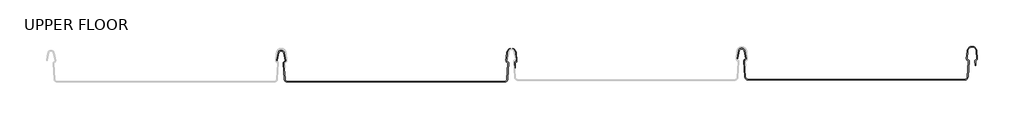
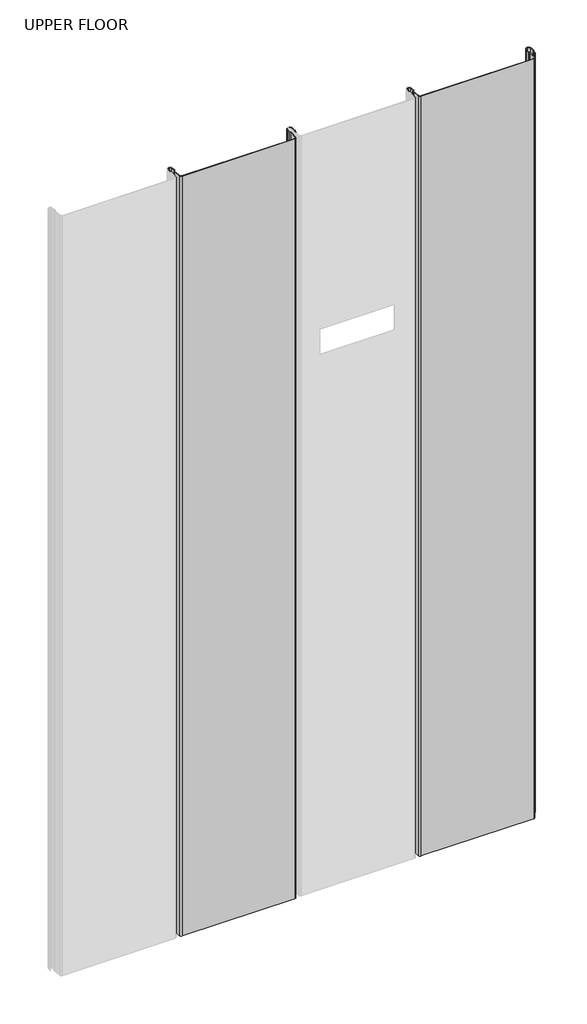
# One storey, part 2 of 2: 2 beams.
"""IFC4 building model written with IfcOpenShell, lengths in millimetres."""

from ifc_helpers import new_model, si_unit, frame, origin, place, context, project, spatial, polyline, circle_curve, element, save
from ifc_brep_helpers import plane_surface, cylinder_surface, revolved_surface, advanced_brep

model = new_model("IFC4")

# Units and contexts
model_context = context("Model", 3, world=origin())
ifc_project = project(units=[si_unit("LENGTHUNIT", "METRE", prefix="MILLI")], contexts=[model_context])

# Site, building, storey
site = spatial("IfcSite", under=ifc_project)
building = spatial("IfcBuilding", under=site)
storey = spatial("IfcBuildingStorey", under=building, Name="UPPER FLOOR", Elevation=2700.0)

# Beams
placement = place(None, origin())
element("IfcBeam", 1, at=placement, inside=storey, context=model_context, shape_type="AdvancedBrep", body=[
    advanced_brep(
    [(6334.6119936, 625.7201201, -1950.7143486), (6339.146019, 629.4956988, -1950.7143486), (6343.6528334, 625.856375, -1950.7143486), (6346.0998329, 614.497438, -1950.7143486), (6344.4411735, 612.0430386, -1950.7143486), (6343.2720087, 610.3319985, -1950.7143486), (6344.7625303, 586.9223075, -1950.7143486), (6348.456982, 583.4574151, -1950.7143486), (6668.7059348, 583.4574151, -1950.7143486), (6672.3987122, 586.9263408, -1950.7143486), (6673.8682154, 610.4103404, -1950.7143486), (6673.2402878, 611.3437584, -1950.7143486), (6671.0286499, 614.40955, -1950.7143486), (6671.9121887, 625.586053, -1950.7143486), (6679.1418406, 632.2667329, -1950.7143486), (6686.3714926, 625.586053, -1950.7143486), (6687.2550314, 614.40955, -1950.7143486), (6685.0433935, 611.3437584, -1950.7143486), (6684.4154659, 610.4103404, -1950.7143486), (6684.8071803, 604.1503868, -1950.7143486), (6683.8052244, 604.1503868, -1950.7143486), (6683.3978157, 610.66115, -1950.7143486), (6684.8032316, 612.3146121, -1950.7143486), (6686.2576522, 614.3307426, -1950.7143486), (6685.3679618, 625.5850624, -1950.7143486), (6679.1418406, 631.2667329, -1950.7143486), (6672.9089846, 625.5060562, -1950.7143486), (6672.0213859, 614.2508552, -1950.7143486), (6673.4804497, 612.3146121, -1950.7143486), (6674.8858656, 610.66115, -1950.7143486), (6673.3967601, 586.8638883, -1950.7143486), (6668.7059348, 582.4574151, -1950.7143486), (6348.4572271, 582.4574151, -1950.7143486), (6343.7645512, 586.858765, -1950.7143486), (6342.2738167, 610.2718001, -1950.7143486), (6344.1773975, 613.0084126, -1950.7143486), (6345.1140408, 614.3249628, -1950.7143486), (6342.6983557, 625.529296, -1950.7143486), (6339.13551, 628.4966846, -1950.7143486), (6335.6615158, 625.9009943, -1950.7143486), (6333.6342649, 614.7930037, -1950.7143486), (6332.634405, 614.9770585, -1950.7143486), (6686.2576522, 614.3307426, 329.2856514), (6685.3679618, 625.5850624, 329.2856514), (6684.8071803, 604.1503868, 329.2856514), (6683.8052244, 604.1503868, 329.2856514), (6333.6342649, 614.7930037, 329.2856514), (6332.634405, 614.9770585, 329.2856514), (6334.6119936, 625.7201201, 329.2856514), (6335.6615158, 625.9009943, 329.2856514), (6339.13551, 628.4966846, 329.2856514), (6342.6983557, 625.529296, 329.2856514), (6345.1140408, 614.3249628, 329.2856514), (6344.1773975, 613.0084126, 329.2856514), (6342.2738167, 610.2718001, 329.2856514), (6343.7645512, 586.858765, 329.2856514), (6348.4572271, 582.4574151, 329.2856514), (6668.7059348, 582.4574151, 329.2856514), (6673.3967601, 586.8638883, 329.2856514), (6674.8858656, 610.66115, 329.2856514), (6673.4804497, 612.3146121, 329.2856514), (6672.0213859, 614.2508552, 329.2856514), (6672.9089846, 625.5060562, 329.2856514), (6679.1418406, 631.2667329, 329.2856514), (6684.8032316, 612.3146121, 329.2856514), (6683.3978157, 610.66115, 329.2856514), (6684.4154659, 610.4103404, 329.2856514), (6685.0433935, 611.3437584, 329.2856514), (6687.2484427, 614.4928949, 329.2856514), (6686.3714926, 625.586053, 329.2856514), (6679.1418406, 632.2667329, 329.2856514), (6671.9121887, 625.586053, 329.2856514), (6671.0286499, 614.40955, 329.2856514), (6673.2402878, 611.3437584, 329.2856514), (6673.8682154, 610.4103404, 329.2856514), (6672.3987122, 586.9263408, 329.2856514), (6668.7059348, 583.4574151, 329.2856514), (6348.456982, 583.4574151, 329.2856514), (6344.7625303, 586.9223075, 329.2856514), (6343.2720087, 610.3319985, 329.2856514), (6344.4411735, 612.0430386, 329.2856514), (6346.0998329, 614.497438, 329.2856514), (6343.6528334, 625.856375, 329.2856514), (6339.146019, 629.4956988, 329.2856514)],
    [
        (0, 1, circle_curve(frame((6339.146019, 624.8854943, -1950.7143486), z_axis=(0.0, 0.0, -1.0), x_axis=(1.0000000000000002, 0.0, 0.0)), 4.6102046)),
        (1, 2, circle_curve(frame((6339.146019, 624.8854943, -1950.7143486), z_axis=(0.0, 0.0, -1.0), x_axis=(1.0000000000000002, 0.0, 0.0)), 4.6102046)),
        (2, 3),
        (3, 4, circle_curve(frame((6343.7156405, 614.3209995, -1950.7143486), z_axis=(0.0, 0.0, -1.0), x_axis=(1.0000000000000002, 0.0, 0.0)), 2.3907121)),
        (4, 5, circle_curve(frame((6344.9520712, 610.4389699, -1950.7143486), z_axis=(0.0, 0.0, 1.0), x_axis=(1.0000000000000002, 0.0, 0.0)), 1.6834645)),
        (5, 6),
        (6, 7, circle_curve(frame((6348.4550531, 587.1574146, -1950.7143486), z_axis=(0.0, 0.0, 1.0), x_axis=(1.0000000000000002, 0.0, 0.0)), 3.7)),
        (7, 8),
        (8, 9, circle_curve(frame((6668.7059348, 587.1574151, -1950.7143486), z_axis=(0.0, 0.0, 1.0), x_axis=(1.0000000000000002, 0.0, 0.0)), 3.7)),
        (9, 10),
        (10, 11, circle_curve(frame((6672.9462455, 610.4680324, -1950.7143486), z_axis=(0.0, 0.0, 1.0), x_axis=(1.0000000000000002, 0.0, 0.0)), 0.9237732)),
        (11, 12, circle_curve(frame((6673.9403101, 614.1793738, -1950.7143486), z_axis=(0.0, 0.0, -1.0), x_axis=(1.0000000000000002, 0.0, 0.0)), 2.9207441)),
        (12, 13),
        (13, 14, circle_curve(frame((6679.1418406, 625.0145256, -1950.7143486), z_axis=(0.0, 0.0, -1.0), x_axis=(1.0000000000000002, 0.0, 0.0)), 7.2522073)),
        (14, 15, circle_curve(frame((6679.1418406, 625.0145256, -1950.7143486), z_axis=(0.0, 0.0, -1.0), x_axis=(1.0000000000000002, 0.0, 0.0)), 7.2522073)),
        (15, 16),
        (16, 17, circle_curve(frame((6684.3419496, 614.181479, -1950.7143486), z_axis=(0.0, 0.0, -1.0), x_axis=(1.0000000000000002, 0.0, 0.0)), 2.9231288)),
        (17, 18, circle_curve(frame((6685.2443878, 610.5306274, -1950.7143486), z_axis=(0.0, 0.0, 1.0), x_axis=(1.0000000000000002, 0.0, 0.0)), 0.8376041)),
        (18, 19),
        (19, 20, circle_curve(frame((6684.3062024, 604.1503868, -1950.7143486), z_axis=(0.0, 0.0, -1.0), x_axis=(1.0000000000000002, 0.0, 0.0)), 0.5009779)),
        (20, 21),
        (21, 22, circle_curve(frame((6685.2481318, 610.5124328, -1950.7143486), z_axis=(0.0, 0.0, -1.0), x_axis=(1.0000000000000002, 0.0, 0.0)), 1.856283)),
        (22, 23, circle_curve(frame((6684.3428819, 614.1793738, -1950.7143486), z_axis=(0.0, 0.0, 1.0), x_axis=(1.0000000000000002, 0.0, 0.0)), 1.9207441)),
        (23, 24),
        (24, 25, circle_curve(frame((6679.2188901, 625.0989584, -1950.7143486), z_axis=(0.0, 0.0, 1.0), x_axis=(1.0000000000000002, 0.0, 0.0)), 6.1682558)),
        (25, 26, circle_curve(frame((6679.221015, 624.9288617, -1950.7143486), z_axis=(0.0, 0.0, 1.0), x_axis=(1.0000000000000002, 0.0, 0.0)), 6.3383658)),
        (26, 27),
        (27, 28, circle_curve(frame((6673.8448306, 614.1070561, -1950.7143486), z_axis=(0.0, 0.0, 1.0), x_axis=(1.0000000000000002, 0.0, 0.0)), 1.8291061)),
        (28, 29, circle_curve(frame((6673.1304954, 610.5931353, -1950.7143486), z_axis=(0.0, 0.0, -1.0), x_axis=(1.0000000000000002, 0.0, 0.0)), 1.7566874)),
        (29, 30),
        (30, 31, circle_curve(frame((6668.7059348, 587.1574151, -1950.7143486), z_axis=(0.0, 0.0, -1.0), x_axis=(1.0000000000000002, 0.0, 0.0)), 4.7)),
        (31, 32),
        (32, 33, circle_curve(frame((6348.4572271, 587.1597325, -1950.7143486), z_axis=(0.0, 0.0, -1.0), x_axis=(1.0000000000000002, 0.0, 0.0)), 4.7023174)),
        (33, 34),
        (34, 35, circle_curve(frame((6344.9479285, 610.4420639, -1950.7143486), z_axis=(0.0, 0.0, -1.0), x_axis=(1.0000000000000002, 0.0, 0.0)), 2.6795268)),
        (35, 36, circle_curve(frame((6344.0445547, 614.0943787, -1950.7143486), z_axis=(0.0, 0.0, 1.0), x_axis=(1.0000000000000002, 0.0, 0.0)), 1.094061)),
        (36, 37),
        (37, 38, circle_curve(frame((6339.13551, 624.8740945, -1950.7143486), z_axis=(0.0, 0.0, 1.0), x_axis=(1.0000000000000002, 0.0, 0.0)), 3.6225901)),
        (38, 39, circle_curve(frame((6339.13551, 624.8740945, -1950.7143486), z_axis=(0.0, 0.0, 1.0), x_axis=(1.0000000000000002, 0.0, 0.0)), 3.6225901)),
        (39, 40),
        (40, 41, circle_curve(frame((6333.134335, 614.8850311, -1950.7143486), z_axis=(0.0, 0.0, -1.0), x_axis=(1.0000000000000002, 0.0, 0.0)), 0.5083296)),
        (41, 0),
        (42, 43),
        (43, 24),
        (23, 42),
        (44, 45, circle_curve(frame((6684.3062024, 604.1503868, 329.2856514), z_axis=(0.0, 0.0, -1.0), x_axis=(1.0000000000000002, 0.0, 0.0)), 0.5009779)),
        (45, 20),
        (19, 44),
        (46, 47, circle_curve(frame((6333.134335, 614.8850311, 329.2856514), z_axis=(0.0, 0.0, -1.0), x_axis=(1.0000000000000002, 0.0, 0.0)), 0.5083296)),
        (47, 41),
        (40, 46),
        (48, 47),
        (46, 49),
        (49, 50, circle_curve(frame((6339.13551, 624.8740945, 329.2856514), z_axis=(0.0, 0.0, -1.0), x_axis=(1.0000000000000002, 0.0, 0.0)), 3.6225901)),
        (50, 51, circle_curve(frame((6339.13551, 624.8740945, 329.2856514), z_axis=(0.0, 0.0, -1.0), x_axis=(1.0000000000000002, 0.0, 0.0)), 3.6225901)),
        (51, 52),
        (52, 53, circle_curve(frame((6344.0445547, 614.0943787, 329.2856514), z_axis=(0.0, 0.0, -1.0), x_axis=(1.0000000000000002, 0.0, 0.0)), 1.094061)),
        (53, 54, circle_curve(frame((6344.9479285, 610.4420639, 329.2856514), z_axis=(0.0, 0.0, 1.0), x_axis=(1.0000000000000002, 0.0, 0.0)), 2.6795268)),
        (54, 55),
        (55, 56, circle_curve(frame((6348.4572271, 587.1597325, 329.2856514), z_axis=(0.0, 0.0, 1.0), x_axis=(1.0000000000000002, 0.0, 0.0)), 4.7023174)),
        (56, 57),
        (57, 58, circle_curve(frame((6668.7059348, 587.1574151, 329.2856514), z_axis=(0.0, 0.0, 1.0), x_axis=(1.0000000000000002, 0.0, 0.0)), 4.7)),
        (58, 59),
        (59, 60, circle_curve(frame((6673.1304954, 610.5931353, 329.2856514), z_axis=(0.0, 0.0, 1.0), x_axis=(1.0000000000000002, 0.0, 0.0)), 1.7566874)),
        (60, 61, circle_curve(frame((6673.8448306, 614.1070561, 329.2856514), z_axis=(0.0, 0.0, -1.0), x_axis=(1.0000000000000002, 0.0, 0.0)), 1.8291061)),
        (61, 62),
        (62, 63, circle_curve(frame((6679.221015, 624.9288617, 329.2856514), z_axis=(0.0, 0.0, -1.0), x_axis=(1.0000000000000002, 0.0, 0.0)), 6.3383658)),
        (63, 43, circle_curve(frame((6679.2188901, 625.0989584, 329.2856514), z_axis=(0.0, 0.0, -1.0), x_axis=(1.0000000000000002, 0.0, 0.0)), 6.1682558)),
        (42, 64, circle_curve(frame((6684.3428819, 614.1793738, 329.2856514), z_axis=(0.0, 0.0, -1.0), x_axis=(1.0000000000000002, 0.0, 0.0)), 1.9207441)),
        (64, 65, circle_curve(frame((6685.2481318, 610.5124328, 329.2856514), z_axis=(0.0, 0.0, 1.0), x_axis=(1.0000000000000002, 0.0, 0.0)), 1.856283)),
        (65, 45),
        (44, 66),
        (66, 67, circle_curve(frame((6685.2443878, 610.5306274, 329.2856514), z_axis=(0.0, 0.0, -1.0), x_axis=(1.0000000000000002, 0.0, 0.0)), 0.8376041)),
        (67, 68, circle_curve(frame((6684.3419496, 614.181479, 329.2856514), z_axis=(0.0, 0.0, 1.0), x_axis=(1.0000000000000002, 0.0, 0.0)), 2.9231288)),
        (68, 69),
        (69, 70, circle_curve(frame((6679.1418406, 625.0145256, 329.2856514), z_axis=(0.0, 0.0, 1.0), x_axis=(1.0000000000000002, 0.0, 0.0)), 7.2522073)),
        (70, 71, circle_curve(frame((6679.1418406, 625.0145256, 329.2856514), z_axis=(0.0, 0.0, 1.0), x_axis=(1.0000000000000002, 0.0, 0.0)), 7.2522073)),
        (71, 72),
        (72, 73, circle_curve(frame((6673.9403101, 614.1793738, 329.2856514), z_axis=(0.0, 0.0, 1.0), x_axis=(1.0000000000000002, 0.0, 0.0)), 2.9207441)),
        (73, 74, circle_curve(frame((6672.9462455, 610.4680324, 329.2856514), z_axis=(0.0, 0.0, -1.0), x_axis=(1.0000000000000002, 0.0, 0.0)), 0.9237732)),
        (74, 75),
        (75, 76, circle_curve(frame((6668.7059348, 587.1574151, 329.2856514), z_axis=(0.0, 0.0, -1.0), x_axis=(1.0000000000000002, 0.0, 0.0)), 3.7)),
        (76, 77),
        (77, 78, circle_curve(frame((6348.4550531, 587.1574146, 329.2856514), z_axis=(0.0, 0.0, -1.0), x_axis=(1.0000000000000002, 0.0, 0.0)), 3.7)),
        (78, 79),
        (79, 80, circle_curve(frame((6344.9520712, 610.4389699, 329.2856514), z_axis=(0.0, 0.0, -1.0), x_axis=(1.0000000000000002, 0.0, 0.0)), 1.6834645)),
        (80, 81, circle_curve(frame((6343.7156405, 614.3209995, 329.2856514), z_axis=(0.0, 0.0, 1.0), x_axis=(1.0000000000000002, 0.0, 0.0)), 2.3907121)),
        (81, 82),
        (82, 83, circle_curve(frame((6339.146019, 624.8854943, 329.2856514), z_axis=(0.0, 0.0, 1.0), x_axis=(1.0000000000000002, 0.0, 0.0)), 4.6102046)),
        (83, 48, circle_curve(frame((6339.146019, 624.8854943, 329.2856514), z_axis=(0.0, 0.0, 1.0), x_axis=(1.0000000000000002, 0.0, 0.0)), 4.6102046)),
        (48, 0),
        (39, 49),
        (38, 50),
        (37, 51),
        (36, 52),
        (35, 53),
        (34, 54),
        (33, 55),
        (32, 56),
        (31, 57),
        (30, 58),
        (29, 59),
        (28, 60),
        (27, 61),
        (26, 62),
        (25, 63),
        (22, 64),
        (21, 65),
        (18, 66),
        (17, 67),
        (16, 68),
        (15, 69),
        (14, 70),
        (13, 71),
        (12, 72),
        (11, 73),
        (10, 74),
        (9, 75),
        (8, 76),
        (7, 77),
        (6, 78),
        (5, 79),
        (4, 80),
        (3, 81),
        (2, 82),
        (1, 83),
    ],
    [
        plane_surface(frame((6332.634405, 614.9770585, -1950.7143486), z_axis=(0.0, 0.0, -1.0), x_axis=(0.18103878268248982, 0.9834759575936985, 0.0))),
        plane_surface(frame((6685.3679618, 625.5850624, 329.2856514), z_axis=(-0.9968898625471325, -0.07880737243912733, 0.0), x_axis=(0.0, 0.0, -1.0))),
        cylinder_surface(frame((6684.3062024, 604.1503868, -1950.7143486), z_axis=(0.0, 0.0, 1.0000000000000002), x_axis=(1.0000000000000002, 0.0, 0.0)), 0.5009779),
        cylinder_surface(frame((6333.134335, 614.8850311, -1950.7143486), z_axis=(0.0, 0.0, 1.0000000000000002), x_axis=(1.0000000000000002, 0.0, 0.0)), 0.5083296),
        plane_surface(frame((6332.634405, 614.9770585, 329.2856514), z_axis=(0.0, 0.0, 1.0), x_axis=(-0.18103878268248982, -0.9834759575936985, 0.0))),
        plane_surface(frame((6334.6119936, 625.7201201, 329.2856514), z_axis=(-0.9834759575936985, 0.18103878268248982, 0.0), x_axis=(0.0, 0.0, -1.0))),
        plane_surface(frame((6333.6342649, 614.7930037, 329.2856514), z_axis=(0.9837509798367418, -0.17953832368118636, 0.0), x_axis=(0.0, 0.0, -1.0))),
        revolved_surface(polyline([(6342.7581001, 624.8740945, -1950.7143486), (6342.7581001, 624.8740945, 329.2856514000009)]), (6339.13551, 624.8740945, -1950.7143486), (0.0, 0.0, -1.0000000000000002)),
        plane_surface(frame((6342.6983557, 625.529296, 329.2856514), z_axis=(-0.9775378680635936, -0.2107598550523432, 0.0), x_axis=(0.0, 0.0, -1.0))),
        revolved_surface(polyline([(6345.1386157, 614.0943787, -1950.7143486), (6345.1386157, 614.0943787, 329.2856514000009)]), (6344.0445547, 614.0943787, -1950.7143486), (0.0, 0.0, -1.0000000000000002)),
        cylinder_surface(frame((6344.9479285, 610.4420639, -1950.7143486), z_axis=(0.0, 0.0, 1.0000000000000002), x_axis=(1.0000000000000002, 0.0, 0.0)), 2.6795268),
        plane_surface(frame((6342.2738167, 610.2718001, 329.2856514), z_axis=(-0.9979791357337672, -0.06354246328309314, 0.0), x_axis=(0.0, 0.0, -1.0))),
        cylinder_surface(frame((6348.4572271, 587.1597325, -1950.7143486), z_axis=(0.0, 0.0, 1.0000000000000002), x_axis=(1.0000000000000002, 0.0, 0.0)), 4.7023174),
        plane_surface(frame((6348.4572271, 582.4574151, 329.2856514), z_axis=(0.0, -1.0, 0.0), x_axis=(0.0, 0.0, -1.0))),
        cylinder_surface(frame((6668.7059348, 587.1574151, -1950.7143486), z_axis=(0.0, 0.0, 1.0000000000000002), x_axis=(1.0000000000000002, 0.0, 0.0)), 4.7),
        plane_surface(frame((6673.3967601, 586.8638883, 329.2856514), z_axis=(0.9980479368039749, -0.062452508687233885, 0.0), x_axis=(0.0, 0.0, -1.0))),
        cylinder_surface(frame((6673.1304954, 610.5931353, -1950.7143486), z_axis=(0.0, 0.0, 1.0000000000000002), x_axis=(1.0000000000000002, 0.0, 0.0)), 1.7566874),
        revolved_surface(polyline([(6675.6739367, 614.1070561, -1950.7143486), (6675.6739367, 614.1070561, 329.2856514000009)]), (6673.8448306, 614.1070561, -1950.7143486), (0.0, 0.0, -1.0000000000000002)),
        plane_surface(frame((6672.0213859, 614.2508552, 329.2856514), z_axis=(0.9969048840808035, -0.0786171234263882, 0.0), x_axis=(0.0, 0.0, -1.0))),
        revolved_surface(polyline([(6685.5593808, 624.9288617, -1950.7143486), (6685.5593808, 624.9288617, 329.2856514000009)]), (6679.221015, 624.9288617, -1950.7143486), (0.0, 0.0, -1.0000000000000002)),
        revolved_surface(polyline([(6685.3871459, 625.0989584, -1950.7143486), (6685.3871459, 625.0989584, 329.2856514000009)]), (6679.2188901, 625.0989584, -1950.7143486), (0.0, 0.0, -1.0000000000000002)),
        revolved_surface(polyline([(6686.263626, 614.1793738, -1950.7143486), (6686.263626, 614.1793738, 329.2856514000009)]), (6684.3428819, 614.1793738, -1950.7143486), (0.0, 0.0, -1.0000000000000002)),
        cylinder_surface(frame((6685.2481318, 610.5124328, -1950.7143486), z_axis=(0.0, 0.0, 1.0000000000000002), x_axis=(1.0000000000000002, 0.0, 0.0)), 1.856283),
        plane_surface(frame((6683.3978157, 610.66115, 329.2856514), z_axis=(-0.9980479368039776, -0.062452508687189226, 0.0), x_axis=(0.0, 0.0, -1.0))),
        plane_surface(frame((6684.8071803, 604.1503868, 329.2856514), z_axis=(0.9980479368039784, 0.06245250868717819, 0.0), x_axis=(0.0, 0.0, -1.0))),
        revolved_surface(polyline([(6686.0819919000005, 610.5306274, -1950.7143486), (6686.0819919000005, 610.5306274, 329.2856514000009)]), (6685.2443878, 610.5306274, -1950.7143486), (0.0, 0.0, -1.0000000000000002)),
        cylinder_surface(frame((6684.3419496, 614.181479, -1950.7143486), z_axis=(0.0, 0.0, 1.0000000000000002), x_axis=(1.0000000000000002, 0.0, 0.0)), 2.9231288),
        plane_surface(frame((6687.2550314, 614.40955, 329.2856514), z_axis=(0.996889862547133, 0.07880737243912096, 0.0), x_axis=(0.0, 0.0, -1.0))),
        cylinder_surface(frame((6679.1418406, 625.0145256, -1950.7143486), z_axis=(0.0, 0.0, 1.0000000000000002), x_axis=(1.0000000000000002, 0.0, 0.0)), 7.2522073),
        plane_surface(frame((6671.9121887, 625.586053, 329.2856514), z_axis=(-0.9968898625471305, 0.07880737243915292, 0.0), x_axis=(0.0, 0.0, -1.0))),
        cylinder_surface(frame((6673.9403101, 614.1793738, -1950.7143486), z_axis=(0.0, 0.0, 1.0000000000000002), x_axis=(1.0000000000000002, 0.0, 0.0)), 2.9207441),
        revolved_surface(polyline([(6673.8700187, 610.4680324, -1950.7143486), (6673.8700187, 610.4680324, 329.2856514000009)]), (6672.9462455, 610.4680324, -1950.7143486), (0.0, 0.0, -1.0000000000000002)),
        plane_surface(frame((6673.8682154, 610.4103404, 329.2856514), z_axis=(-0.9980479368039751, 0.062452508687230075, 0.0), x_axis=(0.0, 0.0, -1.0))),
        revolved_surface(polyline([(6672.4059348, 587.1574151, -1950.7143486), (6672.4059348, 587.1574151, 329.2856514000009)]), (6668.7059348, 587.1574151, -1950.7143486), (0.0, 0.0, -1.0000000000000002)),
        plane_surface(frame((6668.7059348, 583.4574151, 329.2856514), z_axis=(0.0, 1.0, 0.0), x_axis=(0.0, 0.0, -1.0))),
        revolved_surface(polyline([(6352.1550531, 587.1574146, -1950.7143486), (6352.1550531, 587.1574146, 329.2856514000009)]), (6348.4550531, 587.1574146, -1950.7143486), (0.0, 0.0, -1.0000000000000002)),
        plane_surface(frame((6344.7625303, 586.9223075, 329.2856514), z_axis=(0.9979791357337674, 0.06354246328309011, 0.0), x_axis=(0.0, 0.0, -1.0))),
        revolved_surface(polyline([(6346.6355357, 610.4389699, -1950.7143486), (6346.6355357, 610.4389699, 329.2856514000009)]), (6344.9520712, 610.4389699, -1950.7143486), (0.0, 0.0, -1.0000000000000002)),
        cylinder_surface(frame((6343.7156405, 614.3209995, -1950.7143486), z_axis=(0.0, 0.0, 1.0000000000000002), x_axis=(1.0000000000000002, 0.0, 0.0)), 2.3907121),
        plane_surface(frame((6346.0998329, 614.497438, 329.2856514), z_axis=(0.9775736456656274, 0.2105938444020015, 0.0), x_axis=(0.0, 0.0, -1.0))),
        cylinder_surface(frame((6339.146019, 624.8854943, -1950.7143486), z_axis=(0.0, 0.0, 1.0000000000000002), x_axis=(1.0000000000000002, 0.0, 0.0)), 4.6102046),
    ],
    [
        (0, [[1, 2, 3, 4, 5, 6, 7, 8, 9, 10, 11, 12, 13, 14, 15, 16, 17, 18, 19, 20, 21, 22, 23, 24, 25, 26, 27, 28, 29, 30, 31, 32, 33, 34, 35, 36, 37, 38, 39, 40, 41, 42]]),
        (1, [[43, 44, -24, 45]]),
        (2, [[46, 47, -20, 48]]),
        (3, [[49, 50, -41, 51]]),
        (4, [[52, -49, 53, 54, 55, 56, 57, 58, 59, 60, 61, 62, 63, 64, 65, 66, 67, 68, -43, 69, 70, 71, -46, 72, 73, 74, 75, 76, 77, 78, 79, 80, 81, 82, 83, 84, 85, 86, 87, 88, 89, 90]]),
        (5, [[-52, 91, -42, -50]]),
        (6, [[-53, -51, -40, 92]]),
        (7, [[-54, -92, -39, 93]]),
        (7, [[-55, -93, -38, 94]]),
        (8, [[-56, -94, -37, 95]]),
        (9, [[-57, -95, -36, 96]]),
        (10, [[-58, -96, -35, 97]]),
        (11, [[-59, -97, -34, 98]]),
        (12, [[-60, -98, -33, 99]]),
        (13, [[-61, -99, -32, 100]]),
        (14, [[-62, -100, -31, 101]]),
        (15, [[-63, -101, -30, 102]]),
        (16, [[-64, -102, -29, 103]]),
        (17, [[-65, -103, -28, 104]]),
        (18, [[-66, -104, -27, 105]]),
        (19, [[-67, -105, -26, 106]]),
        (20, [[-68, -106, -25, -44]]),
        (21, [[-69, -45, -23, 107]]),
        (22, [[-70, -107, -22, 108]]),
        (23, [[-71, -108, -21, -47]]),
        (24, [[-72, -48, -19, 109]]),
        (25, [[-73, -109, -18, 110]]),
        (26, [[-74, -110, -17, 111]]),
        (27, [[-75, -111, -16, 112]]),
        (28, [[-76, -112, -15, 113]]),
        (28, [[-77, -113, -14, 114]]),
        (29, [[-78, -114, -13, 115]]),
        (30, [[-79, -115, -12, 116]]),
        (31, [[-80, -116, -11, 117]]),
        (32, [[-81, -117, -10, 118]]),
        (33, [[-82, -118, -9, 119]]),
        (34, [[-83, -119, -8, 120]]),
        (35, [[-84, -120, -7, 121]]),
        (36, [[-85, -121, -6, 122]]),
        (37, [[-86, -122, -5, 123]]),
        (38, [[-87, -123, -4, 124]]),
        (39, [[-88, -124, -3, 125]]),
        (40, [[-89, -125, -2, 126]]),
        (40, [[-90, -126, -1, -91]]),
    ],
),
])
element("IfcBeam", 2, at=placement, inside=storey, context=model_context, shape_type="AdvancedBrep", body=[
    advanced_brep(
    [(7014.4243939, 628.8451201, -1950.7143486), (7018.9584192, 632.6206988, -1950.7143486), (7023.4652337, 628.981375, -1950.7143486), (7025.9122332, 617.622438, -1950.7143486), (7024.2535738, 615.1680386, -1950.7143486), (7023.084409, 613.4569985, -1950.7143486), (7024.5749306, 590.0473075, -1950.7143486), (7028.2693823, 586.5824151, -1950.7143486), (7348.5183351, 586.5824151, -1950.7143486), (7352.2111125, 590.0513408, -1950.7143486), (7353.6806157, 613.5353404, -1950.7143486), (7353.0526881, 614.4687584, -1950.7143486), (7350.8410502, 617.53455, -1950.7143486), (7351.724589, 628.711053, -1950.7143486), (7358.9542409, 635.3917329, -1950.7143486), (7366.1838929, 628.711053, -1950.7143486), (7367.0674317, 617.53455, -1950.7143486), (7364.8557938, 614.4687584, -1950.7143486), (7364.2278662, 613.5353404, -1950.7143486), (7364.6195806, 607.2753868, -1950.7143486), (7363.6176247, 607.2753868, -1950.7143486), (7363.2102159, 613.78615, -1950.7143486), (7364.6156319, 615.4396121, -1950.7143486), (7366.0700525, 617.4557426, -1950.7143486), (7365.1803621, 628.7100624, -1950.7143486), (7358.9542409, 634.3917329, -1950.7143486), (7352.7213849, 628.6310562, -1950.7143486), (7351.8337862, 617.3758552, -1950.7143486), (7353.29285, 615.4396121, -1950.7143486), (7354.6982659, 613.78615, -1950.7143486), (7353.2091604, 589.9888883, -1950.7143486), (7348.5183351, 585.5824151, -1950.7143486), (7028.2696274, 585.5824151, -1950.7143486), (7023.5769515, 589.983765, -1950.7143486), (7022.086217, 613.3968001, -1950.7143486), (7023.9897978, 616.1334126, -1950.7143486), (7024.9264411, 617.4499628, -1950.7143486), (7022.510756, 628.654296, -1950.7143486), (7018.9479103, 631.6216846, -1950.7143486), (7015.4739161, 629.0259943, -1950.7143486), (7013.4466652, 617.9180037, -1950.7143486), (7012.4468053, 618.1020585, -1950.7143486), (7366.0700525, 617.4557426, 329.2856514), (7365.1803621, 628.7100624, 329.2856514), (7364.6195806, 607.2753868, 329.2856514), (7363.6176247, 607.2753868, 329.2856514), (7013.4466652, 617.9180037, 329.2856514), (7012.4468053, 618.1020585, 329.2856514), (7014.4243939, 628.8451201, 329.2856514), (7015.4739161, 629.0259943, 329.2856514), (7018.9479103, 631.6216846, 329.2856514), (7022.510756, 628.654296, 329.2856514), (7024.9264411, 617.4499628, 329.2856514), (7023.9897978, 616.1334126, 329.2856514), (7022.086217, 613.3968001, 329.2856514), (7023.5769515, 589.983765, 329.2856514), (7028.2696274, 585.5824151, 329.2856514), (7348.5183351, 585.5824151, 329.2856514), (7353.2091604, 589.9888883, 329.2856514), (7354.6982659, 613.78615, 329.2856514), (7353.29285, 615.4396121, 329.2856514), (7351.8337862, 617.3758552, 329.2856514), (7352.7213849, 628.6310562, 329.2856514), (7358.9542409, 634.3917329, 329.2856514), (7364.6156319, 615.4396121, 329.2856514), (7363.2102159, 613.78615, 329.2856514), (7364.2278662, 613.5353404, 329.2856514), (7364.8557938, 614.4687584, 329.2856514), (7367.060843, 617.6178949, 329.2856514), (7366.1838929, 628.711053, 329.2856514), (7358.9542409, 635.3917329, 329.2856514), (7351.724589, 628.711053, 329.2856514), (7350.8410502, 617.53455, 329.2856514), (7353.0526881, 614.4687584, 329.2856514), (7353.6806157, 613.5353404, 329.2856514), (7352.2111125, 590.0513408, 329.2856514), (7348.5183351, 586.5824151, 329.2856514), (7028.2693823, 586.5824151, 329.2856514), (7024.5749306, 590.0473075, 329.2856514), (7023.084409, 613.4569985, 329.2856514), (7024.2535738, 615.1680386, 329.2856514), (7025.9122332, 617.622438, 329.2856514), (7023.4652337, 628.981375, 329.2856514), (7018.9584192, 632.6206988, 329.2856514)],
    [
        (0, 1, circle_curve(frame((7018.9584192, 628.0104943, -1950.7143486), z_axis=(0.0, 0.0, -1.0), x_axis=(1.0000000000000002, 0.0, 0.0)), 4.6102046)),
        (1, 2, circle_curve(frame((7018.9584192, 628.0104943, -1950.7143486), z_axis=(0.0, 0.0, -1.0), x_axis=(1.0000000000000002, 0.0, 0.0)), 4.6102046)),
        (2, 3),
        (3, 4, circle_curve(frame((7023.5280408, 617.4459995, -1950.7143486), z_axis=(0.0, 0.0, -1.0), x_axis=(1.0000000000000002, 0.0, 0.0)), 2.3907121)),
        (4, 5, circle_curve(frame((7024.7644715, 613.5639699, -1950.7143486), z_axis=(0.0, 0.0, 1.0), x_axis=(1.0000000000000002, 0.0, 0.0)), 1.6834645)),
        (5, 6),
        (6, 7, circle_curve(frame((7028.2674534, 590.2824146, -1950.7143486), z_axis=(0.0, 0.0, 1.0), x_axis=(1.0000000000000002, 0.0, 0.0)), 3.7)),
        (7, 8),
        (8, 9, circle_curve(frame((7348.5183351, 590.2824151, -1950.7143486), z_axis=(0.0, 0.0, 1.0), x_axis=(1.0000000000000002, 0.0, 0.0)), 3.7)),
        (9, 10),
        (10, 11, circle_curve(frame((7352.7586458, 613.5930324, -1950.7143486), z_axis=(0.0, 0.0, 1.0), x_axis=(1.0000000000000002, 0.0, 0.0)), 0.9237732)),
        (11, 12, circle_curve(frame((7353.7527104, 617.3043738, -1950.7143486), z_axis=(0.0, 0.0, -1.0), x_axis=(1.0000000000000002, 0.0, 0.0)), 2.9207441)),
        (12, 13),
        (13, 14, circle_curve(frame((7358.9542409, 628.1395256, -1950.7143486), z_axis=(0.0, 0.0, -1.0), x_axis=(1.0000000000000002, 0.0, 0.0)), 7.2522073)),
        (14, 15, circle_curve(frame((7358.9542409, 628.1395256, -1950.7143486), z_axis=(0.0, 0.0, -1.0), x_axis=(1.0000000000000002, 0.0, 0.0)), 7.2522073)),
        (15, 16),
        (16, 17, circle_curve(frame((7364.1543499, 617.306479, -1950.7143486), z_axis=(0.0, 0.0, -1.0), x_axis=(1.0000000000000002, 0.0, 0.0)), 2.9231288)),
        (17, 18, circle_curve(frame((7365.0567881, 613.6556274, -1950.7143486), z_axis=(0.0, 0.0, 1.0), x_axis=(1.0000000000000002, 0.0, 0.0)), 0.8376041)),
        (18, 19),
        (19, 20, circle_curve(frame((7364.1186027, 607.2753868, -1950.7143486), z_axis=(0.0, 0.0, -1.0), x_axis=(1.0000000000000002, 0.0, 0.0)), 0.5009779)),
        (20, 21),
        (21, 22, circle_curve(frame((7365.0605321, 613.6374328, -1950.7143486), z_axis=(0.0, 0.0, -1.0), x_axis=(1.0000000000000002, 0.0, 0.0)), 1.856283)),
        (22, 23, circle_curve(frame((7364.1552822, 617.3043738, -1950.7143486), z_axis=(0.0, 0.0, 1.0), x_axis=(1.0000000000000002, 0.0, 0.0)), 1.9207441)),
        (23, 24),
        (24, 25, circle_curve(frame((7359.0312904, 628.2239584, -1950.7143486), z_axis=(0.0, 0.0, 1.0), x_axis=(1.0000000000000002, 0.0, 0.0)), 6.1682558)),
        (25, 26, circle_curve(frame((7359.0334153, 628.0538617, -1950.7143486), z_axis=(0.0, 0.0, 1.0), x_axis=(1.0000000000000002, 0.0, 0.0)), 6.3383658)),
        (26, 27),
        (27, 28, circle_curve(frame((7353.6572309, 617.2320561, -1950.7143486), z_axis=(0.0, 0.0, 1.0), x_axis=(1.0000000000000002, 0.0, 0.0)), 1.8291061)),
        (28, 29, circle_curve(frame((7352.9428957, 613.7181353, -1950.7143486), z_axis=(0.0, 0.0, -1.0), x_axis=(1.0000000000000002, 0.0, 0.0)), 1.7566874)),
        (29, 30),
        (30, 31, circle_curve(frame((7348.5183351, 590.2824151, -1950.7143486), z_axis=(0.0, 0.0, -1.0), x_axis=(1.0000000000000002, 0.0, 0.0)), 4.7)),
        (31, 32),
        (32, 33, circle_curve(frame((7028.2696274, 590.2847325, -1950.7143486), z_axis=(0.0, 0.0, -1.0), x_axis=(1.0000000000000002, 0.0, 0.0)), 4.7023174)),
        (33, 34),
        (34, 35, circle_curve(frame((7024.7603288, 613.5670639, -1950.7143486), z_axis=(0.0, 0.0, -1.0), x_axis=(1.0000000000000002, 0.0, 0.0)), 2.6795268)),
        (35, 36, circle_curve(frame((7023.856955, 617.2193787, -1950.7143486), z_axis=(0.0, 0.0, 1.0), x_axis=(1.0000000000000002, 0.0, 0.0)), 1.094061)),
        (36, 37),
        (37, 38, circle_curve(frame((7018.9479103, 627.9990945, -1950.7143486), z_axis=(0.0, 0.0, 1.0), x_axis=(1.0000000000000002, 0.0, 0.0)), 3.6225901)),
        (38, 39, circle_curve(frame((7018.9479103, 627.9990945, -1950.7143486), z_axis=(0.0, 0.0, 1.0), x_axis=(1.0000000000000002, 0.0, 0.0)), 3.6225901)),
        (39, 40),
        (40, 41, circle_curve(frame((7012.9467353, 618.0100311, -1950.7143486), z_axis=(0.0, 0.0, -1.0), x_axis=(1.0000000000000002, 0.0, 0.0)), 0.5083296)),
        (41, 0),
        (42, 43),
        (43, 24),
        (23, 42),
        (44, 45, circle_curve(frame((7364.1186027, 607.2753868, 329.2856514), z_axis=(0.0, 0.0, -1.0), x_axis=(1.0000000000000002, 0.0, 0.0)), 0.5009779)),
        (45, 20),
        (19, 44),
        (46, 47, circle_curve(frame((7012.9467353, 618.0100311, 329.2856514), z_axis=(0.0, 0.0, -1.0), x_axis=(1.0000000000000002, 0.0, 0.0)), 0.5083296)),
        (47, 41),
        (40, 46),
        (48, 47),
        (46, 49),
        (49, 50, circle_curve(frame((7018.9479103, 627.9990945, 329.2856514), z_axis=(0.0, 0.0, -1.0), x_axis=(1.0000000000000002, 0.0, 0.0)), 3.6225901)),
        (50, 51, circle_curve(frame((7018.9479103, 627.9990945, 329.2856514), z_axis=(0.0, 0.0, -1.0), x_axis=(1.0000000000000002, 0.0, 0.0)), 3.6225901)),
        (51, 52),
        (52, 53, circle_curve(frame((7023.856955, 617.2193787, 329.2856514), z_axis=(0.0, 0.0, -1.0), x_axis=(1.0000000000000002, 0.0, 0.0)), 1.094061)),
        (53, 54, circle_curve(frame((7024.7603288, 613.5670639, 329.2856514), z_axis=(0.0, 0.0, 1.0), x_axis=(1.0000000000000002, 0.0, 0.0)), 2.6795268)),
        (54, 55),
        (55, 56, circle_curve(frame((7028.2696274, 590.2847325, 329.2856514), z_axis=(0.0, 0.0, 1.0), x_axis=(1.0000000000000002, 0.0, 0.0)), 4.7023174)),
        (56, 57),
        (57, 58, circle_curve(frame((7348.5183351, 590.2824151, 329.2856514), z_axis=(0.0, 0.0, 1.0), x_axis=(1.0000000000000002, 0.0, 0.0)), 4.7)),
        (58, 59),
        (59, 60, circle_curve(frame((7352.9428957, 613.7181353, 329.2856514), z_axis=(0.0, 0.0, 1.0), x_axis=(1.0000000000000002, 0.0, 0.0)), 1.7566874)),
        (60, 61, circle_curve(frame((7353.6572309, 617.2320561, 329.2856514), z_axis=(0.0, 0.0, -1.0), x_axis=(1.0000000000000002, 0.0, 0.0)), 1.8291061)),
        (61, 62),
        (62, 63, circle_curve(frame((7359.0334153, 628.0538617, 329.2856514), z_axis=(0.0, 0.0, -1.0), x_axis=(1.0000000000000002, 0.0, 0.0)), 6.3383658)),
        (63, 43, circle_curve(frame((7359.0312904, 628.2239584, 329.2856514), z_axis=(0.0, 0.0, -1.0), x_axis=(1.0000000000000002, 0.0, 0.0)), 6.1682558)),
        (42, 64, circle_curve(frame((7364.1552822, 617.3043738, 329.2856514), z_axis=(0.0, 0.0, -1.0), x_axis=(1.0000000000000002, 0.0, 0.0)), 1.9207441)),
        (64, 65, circle_curve(frame((7365.0605321, 613.6374328, 329.2856514), z_axis=(0.0, 0.0, 1.0), x_axis=(1.0000000000000002, 0.0, 0.0)), 1.856283)),
        (65, 45),
        (44, 66),
        (66, 67, circle_curve(frame((7365.0567881, 613.6556274, 329.2856514), z_axis=(0.0, 0.0, -1.0), x_axis=(1.0000000000000002, 0.0, 0.0)), 0.8376041)),
        (67, 68, circle_curve(frame((7364.1543499, 617.306479, 329.2856514), z_axis=(0.0, 0.0, 1.0), x_axis=(1.0000000000000002, 0.0, 0.0)), 2.9231288)),
        (68, 69),
        (69, 70, circle_curve(frame((7358.9542409, 628.1395256, 329.2856514), z_axis=(0.0, 0.0, 1.0), x_axis=(1.0000000000000002, 0.0, 0.0)), 7.2522073)),
        (70, 71, circle_curve(frame((7358.9542409, 628.1395256, 329.2856514), z_axis=(0.0, 0.0, 1.0), x_axis=(1.0000000000000002, 0.0, 0.0)), 7.2522073)),
        (71, 72),
        (72, 73, circle_curve(frame((7353.7527104, 617.3043738, 329.2856514), z_axis=(0.0, 0.0, 1.0), x_axis=(1.0000000000000002, 0.0, 0.0)), 2.9207441)),
        (73, 74, circle_curve(frame((7352.7586458, 613.5930324, 329.2856514), z_axis=(0.0, 0.0, -1.0), x_axis=(1.0000000000000002, 0.0, 0.0)), 0.9237732)),
        (74, 75),
        (75, 76, circle_curve(frame((7348.5183351, 590.2824151, 329.2856514), z_axis=(0.0, 0.0, -1.0), x_axis=(1.0000000000000002, 0.0, 0.0)), 3.7)),
        (76, 77),
        (77, 78, circle_curve(frame((7028.2674534, 590.2824146, 329.2856514), z_axis=(0.0, 0.0, -1.0), x_axis=(1.0000000000000002, 0.0, 0.0)), 3.7)),
        (78, 79),
        (79, 80, circle_curve(frame((7024.7644715, 613.5639699, 329.2856514), z_axis=(0.0, 0.0, -1.0), x_axis=(1.0000000000000002, 0.0, 0.0)), 1.6834645)),
        (80, 81, circle_curve(frame((7023.5280408, 617.4459995, 329.2856514), z_axis=(0.0, 0.0, 1.0), x_axis=(1.0000000000000002, 0.0, 0.0)), 2.3907121)),
        (81, 82),
        (82, 83, circle_curve(frame((7018.9584192, 628.0104943, 329.2856514), z_axis=(0.0, 0.0, 1.0), x_axis=(1.0000000000000002, 0.0, 0.0)), 4.6102046)),
        (83, 48, circle_curve(frame((7018.9584192, 628.0104943, 329.2856514), z_axis=(0.0, 0.0, 1.0), x_axis=(1.0000000000000002, 0.0, 0.0)), 4.6102046)),
        (48, 0),
        (39, 49),
        (38, 50),
        (37, 51),
        (36, 52),
        (35, 53),
        (34, 54),
        (33, 55),
        (32, 56),
        (31, 57),
        (30, 58),
        (29, 59),
        (28, 60),
        (27, 61),
        (26, 62),
        (25, 63),
        (22, 64),
        (21, 65),
        (18, 66),
        (17, 67),
        (16, 68),
        (15, 69),
        (14, 70),
        (13, 71),
        (12, 72),
        (11, 73),
        (10, 74),
        (9, 75),
        (8, 76),
        (7, 77),
        (6, 78),
        (5, 79),
        (4, 80),
        (3, 81),
        (2, 82),
        (1, 83),
    ],
    [
        plane_surface(frame((7012.4468053, 618.1020585, -1950.7143486), z_axis=(0.0, 0.0, -1.0), x_axis=(0.18103878268248982, 0.9834759575936985, 0.0))),
        plane_surface(frame((7365.1803621, 628.7100624, 329.2856514), z_axis=(-0.9968898625471325, -0.07880737243912733, 0.0), x_axis=(0.0, 0.0, -1.0))),
        cylinder_surface(frame((7364.1186027, 607.2753868, -1950.7143486), z_axis=(0.0, 0.0, 1.0000000000000002), x_axis=(1.0000000000000002, 0.0, 0.0)), 0.5009779),
        cylinder_surface(frame((7012.9467353, 618.0100311, -1950.7143486), z_axis=(0.0, 0.0, 1.0000000000000002), x_axis=(1.0000000000000002, 0.0, 0.0)), 0.5083296),
        plane_surface(frame((7012.4468053, 618.1020585, 329.2856514), z_axis=(0.0, 0.0, 1.0), x_axis=(-0.18103878268248982, -0.9834759575936985, 0.0))),
        plane_surface(frame((7014.4243939, 628.8451201, 329.2856514), z_axis=(-0.9834759575936985, 0.18103878268248982, 0.0), x_axis=(0.0, 0.0, -1.0))),
        plane_surface(frame((7013.4466652, 617.9180037, 329.2856514), z_axis=(0.9837509798367418, -0.17953832368118636, 0.0), x_axis=(0.0, 0.0, -1.0))),
        revolved_surface(polyline([(7022.5705004, 627.9990945, -1950.7143486), (7022.5705004, 627.9990945, 329.2856514000009)]), (7018.9479103, 627.9990945, -1950.7143486), (0.0, 0.0, -1.0000000000000002)),
        plane_surface(frame((7022.510756, 628.654296, 329.2856514), z_axis=(-0.9775378680635936, -0.2107598550523432, 0.0), x_axis=(0.0, 0.0, -1.0))),
        revolved_surface(polyline([(7024.951016, 617.2193787, -1950.7143486), (7024.951016, 617.2193787, 329.2856514000009)]), (7023.856955, 617.2193787, -1950.7143486), (0.0, 0.0, -1.0000000000000002)),
        cylinder_surface(frame((7024.7603288, 613.5670639, -1950.7143486), z_axis=(0.0, 0.0, 1.0000000000000002), x_axis=(1.0000000000000002, 0.0, 0.0)), 2.6795268),
        plane_surface(frame((7022.086217, 613.3968001, 329.2856514), z_axis=(-0.9979791357337672, -0.06354246328309314, 0.0), x_axis=(0.0, 0.0, -1.0))),
        cylinder_surface(frame((7028.2696274, 590.2847325, -1950.7143486), z_axis=(0.0, 0.0, 1.0000000000000002), x_axis=(1.0000000000000002, 0.0, 0.0)), 4.7023174),
        plane_surface(frame((7028.2696274, 585.5824151, 329.2856514), z_axis=(0.0, -1.0, 0.0), x_axis=(0.0, 0.0, -1.0))),
        cylinder_surface(frame((7348.5183351, 590.2824151, -1950.7143486), z_axis=(0.0, 0.0, 1.0000000000000002), x_axis=(1.0000000000000002, 0.0, 0.0)), 4.7),
        plane_surface(frame((7353.2091604, 589.9888883, 329.2856514), z_axis=(0.9980479368039749, -0.062452508687233885, 0.0), x_axis=(0.0, 0.0, -1.0))),
        cylinder_surface(frame((7352.9428957, 613.7181353, -1950.7143486), z_axis=(0.0, 0.0, 1.0000000000000002), x_axis=(1.0000000000000002, 0.0, 0.0)), 1.7566874),
        revolved_surface(polyline([(7355.486337, 617.2320561, -1950.7143486), (7355.486337, 617.2320561, 329.2856514000009)]), (7353.6572309, 617.2320561, -1950.7143486), (0.0, 0.0, -1.0000000000000002)),
        plane_surface(frame((7351.8337862, 617.3758552, 329.2856514), z_axis=(0.9969048840808035, -0.0786171234263882, 0.0), x_axis=(0.0, 0.0, -1.0))),
        revolved_surface(polyline([(7365.371781100001, 628.0538617, -1950.7143486), (7365.371781100001, 628.0538617, 329.2856514000009)]), (7359.0334153, 628.0538617, -1950.7143486), (0.0, 0.0, -1.0000000000000002)),
        revolved_surface(polyline([(7365.1995462, 628.2239584, -1950.7143486), (7365.1995462, 628.2239584, 329.2856514000009)]), (7359.0312904, 628.2239584, -1950.7143486), (0.0, 0.0, -1.0000000000000002)),
        revolved_surface(polyline([(7366.0760263, 617.3043738, -1950.7143486), (7366.0760263, 617.3043738, 329.2856514000009)]), (7364.1552822, 617.3043738, -1950.7143486), (0.0, 0.0, -1.0000000000000002)),
        cylinder_surface(frame((7365.0605321, 613.6374328, -1950.7143486), z_axis=(0.0, 0.0, 1.0000000000000002), x_axis=(1.0000000000000002, 0.0, 0.0)), 1.856283),
        plane_surface(frame((7363.2102159, 613.78615, 329.2856514), z_axis=(-0.9980479368039776, -0.062452508687189226, 0.0), x_axis=(0.0, 0.0, -1.0))),
        plane_surface(frame((7364.6195806, 607.2753868, 329.2856514), z_axis=(0.9980479368039784, 0.06245250868717819, 0.0), x_axis=(0.0, 0.0, -1.0))),
        revolved_surface(polyline([(7365.8943922, 613.6556274, -1950.7143486), (7365.8943922, 613.6556274, 329.2856514000009)]), (7365.0567881, 613.6556274, -1950.7143486), (0.0, 0.0, -1.0000000000000002)),
        cylinder_surface(frame((7364.1543499, 617.306479, -1950.7143486), z_axis=(0.0, 0.0, 1.0000000000000002), x_axis=(1.0000000000000002, 0.0, 0.0)), 2.9231288),
        plane_surface(frame((7367.0674317, 617.53455, 329.2856514), z_axis=(0.996889862547133, 0.07880737243912096, 0.0), x_axis=(0.0, 0.0, -1.0))),
        cylinder_surface(frame((7358.9542409, 628.1395256, -1950.7143486), z_axis=(0.0, 0.0, 1.0000000000000002), x_axis=(1.0000000000000002, 0.0, 0.0)), 7.2522073),
        plane_surface(frame((7351.724589, 628.711053, 329.2856514), z_axis=(-0.9968898625471305, 0.07880737243915292, 0.0), x_axis=(0.0, 0.0, -1.0))),
        cylinder_surface(frame((7353.7527104, 617.3043738, -1950.7143486), z_axis=(0.0, 0.0, 1.0000000000000002), x_axis=(1.0000000000000002, 0.0, 0.0)), 2.9207441),
        revolved_surface(polyline([(7353.682419, 613.5930324, -1950.7143486), (7353.682419, 613.5930324, 329.2856514000009)]), (7352.7586458, 613.5930324, -1950.7143486), (0.0, 0.0, -1.0000000000000002)),
        plane_surface(frame((7353.6806157, 613.5353404, 329.2856514), z_axis=(-0.9980479368039751, 0.062452508687230075, 0.0), x_axis=(0.0, 0.0, -1.0))),
        revolved_surface(polyline([(7352.218335099999, 590.2824151, -1950.7143486), (7352.218335099999, 590.2824151, 329.2856514000009)]), (7348.5183351, 590.2824151, -1950.7143486), (0.0, 0.0, -1.0000000000000002)),
        plane_surface(frame((7348.5183351, 586.5824151, 329.2856514), z_axis=(0.0, 1.0, 0.0), x_axis=(0.0, 0.0, -1.0))),
        revolved_surface(polyline([(7031.9674534, 590.2824146, -1950.7143486), (7031.9674534, 590.2824146, 329.2856514000009)]), (7028.2674534, 590.2824146, -1950.7143486), (0.0, 0.0, -1.0000000000000002)),
        plane_surface(frame((7024.5749306, 590.0473075, 329.2856514), z_axis=(0.9979791357337674, 0.06354246328309011, 0.0), x_axis=(0.0, 0.0, -1.0))),
        revolved_surface(polyline([(7026.447936, 613.5639699, -1950.7143486), (7026.447936, 613.5639699, 329.2856514000009)]), (7024.7644715, 613.5639699, -1950.7143486), (0.0, 0.0, -1.0000000000000002)),
        cylinder_surface(frame((7023.5280408, 617.4459995, -1950.7143486), z_axis=(0.0, 0.0, 1.0000000000000002), x_axis=(1.0000000000000002, 0.0, 0.0)), 2.3907121),
        plane_surface(frame((7025.9122332, 617.622438, 329.2856514), z_axis=(0.9775736456656274, 0.2105938444020015, 0.0), x_axis=(0.0, 0.0, -1.0))),
        cylinder_surface(frame((7018.9584192, 628.0104943, -1950.7143486), z_axis=(0.0, 0.0, 1.0000000000000002), x_axis=(1.0000000000000002, 0.0, 0.0)), 4.6102046),
    ],
    [
        (0, [[1, 2, 3, 4, 5, 6, 7, 8, 9, 10, 11, 12, 13, 14, 15, 16, 17, 18, 19, 20, 21, 22, 23, 24, 25, 26, 27, 28, 29, 30, 31, 32, 33, 34, 35, 36, 37, 38, 39, 40, 41, 42]]),
        (1, [[43, 44, -24, 45]]),
        (2, [[46, 47, -20, 48]]),
        (3, [[49, 50, -41, 51]]),
        (4, [[52, -49, 53, 54, 55, 56, 57, 58, 59, 60, 61, 62, 63, 64, 65, 66, 67, 68, -43, 69, 70, 71, -46, 72, 73, 74, 75, 76, 77, 78, 79, 80, 81, 82, 83, 84, 85, 86, 87, 88, 89, 90]]),
        (5, [[-52, 91, -42, -50]]),
        (6, [[-53, -51, -40, 92]]),
        (7, [[-54, -92, -39, 93]]),
        (7, [[-55, -93, -38, 94]]),
        (8, [[-56, -94, -37, 95]]),
        (9, [[-57, -95, -36, 96]]),
        (10, [[-58, -96, -35, 97]]),
        (11, [[-59, -97, -34, 98]]),
        (12, [[-60, -98, -33, 99]]),
        (13, [[-61, -99, -32, 100]]),
        (14, [[-62, -100, -31, 101]]),
        (15, [[-63, -101, -30, 102]]),
        (16, [[-64, -102, -29, 103]]),
        (17, [[-65, -103, -28, 104]]),
        (18, [[-66, -104, -27, 105]]),
        (19, [[-67, -105, -26, 106]]),
        (20, [[-68, -106, -25, -44]]),
        (21, [[-69, -45, -23, 107]]),
        (22, [[-70, -107, -22, 108]]),
        (23, [[-71, -108, -21, -47]]),
        (24, [[-72, -48, -19, 109]]),
        (25, [[-73, -109, -18, 110]]),
        (26, [[-74, -110, -17, 111]]),
        (27, [[-75, -111, -16, 112]]),
        (28, [[-76, -112, -15, 113]]),
        (28, [[-77, -113, -14, 114]]),
        (29, [[-78, -114, -13, 115]]),
        (30, [[-79, -115, -12, 116]]),
        (31, [[-80, -116, -11, 117]]),
        (32, [[-81, -117, -10, 118]]),
        (33, [[-82, -118, -9, 119]]),
        (34, [[-83, -119, -8, 120]]),
        (35, [[-84, -120, -7, 121]]),
        (36, [[-85, -121, -6, 122]]),
        (37, [[-86, -122, -5, 123]]),
        (38, [[-87, -123, -4, 124]]),
        (39, [[-88, -124, -3, 125]]),
        (40, [[-89, -125, -2, 126]]),
        (40, [[-90, -126, -1, -91]]),
    ],
),
])

save(model, "model.ifc")
